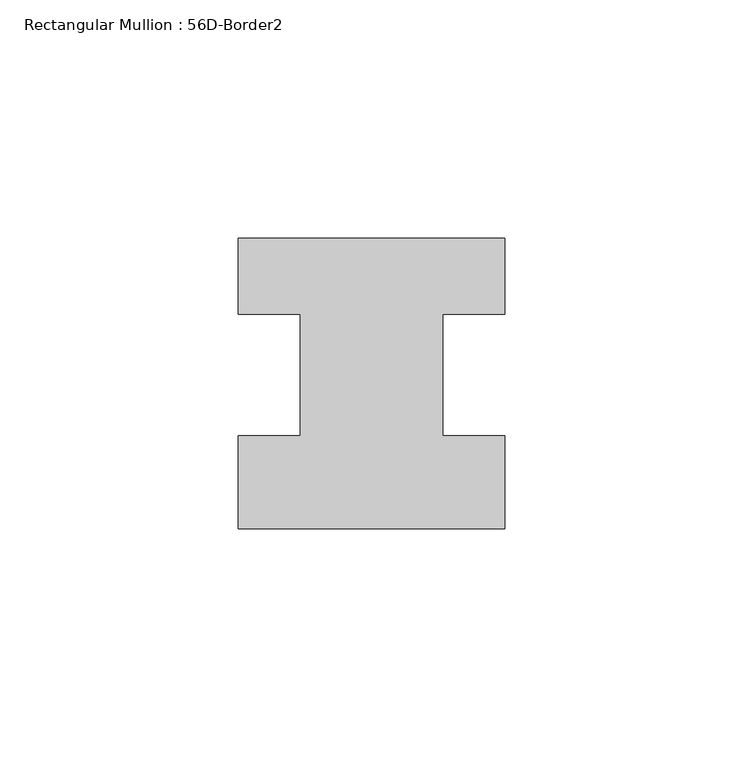
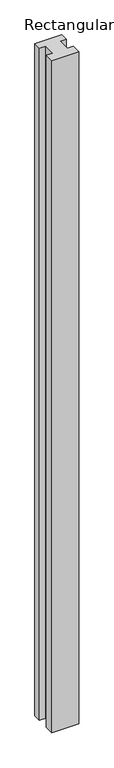
"""IFC4 building model written with IfcOpenShell, lengths in millimetres: member geometry, Rectangular Mullion : 56D-Border2."""

from ifc_helpers import new_model, si_unit, frame, origin, place, context, project, spatial, polyline, outline, extrude, source, transform, mapped, element, save


def rectangular_mullion_56d_border2_6dfd0bf6(model_context):
    return source(origin(), model_context, "Body", "SweptSolid", [
        extrude(outline(polyline([(0.0, -20.0), (-56.0, -20.0), (-56.0, -0.5), (-43.0, -0.5), (-43.0, 25.0), (-56.0, 25.0), (-56.0, 41.0), (0.0, 41.0), (0.0, 25.0), (-13.0, 25.0), (-13.0, -0.5), (0.0, -0.5), (0.0, -20.0)])), frame((0.0, 0.0, -1477.534293), z_axis=(0.0, 0.0, 1.0), x_axis=(1.0, 0.0, 0.0)), (0.0, 0.0, 1.0), 1477.534293),
    ])


if __name__ == "__main__":
    model = new_model("IFC4")
    model_context = context("Model", 3, world=origin())
    ifc_project = project(units=[si_unit("LENGTHUNIT", "METRE", prefix="MILLI")], contexts=[model_context])
    site = spatial("IfcSite", under=ifc_project)
    building = spatial("IfcBuilding", under=site)
    placement = place(None, origin())
    rectangular_mullion_56d_border2_shape = rectangular_mullion_56d_border2_6dfd0bf6(model_context)
    element("IfcMember", 1, ObjectType="Rectangular Mullion : 56D-Border2", at=placement, inside=building, context=model_context, shape_type="MappedRepresentation", body=[
        mapped(rectangular_mullion_56d_border2_shape, transform((0.0, 0.0, 0.0), x_axis=(1.0, 0.0, 0.0), y_axis=(0.0, 1.0, 0.0), z_axis=(0.0, 0.0, 1.0))),
    ])
    save(model, "model.ifc")
